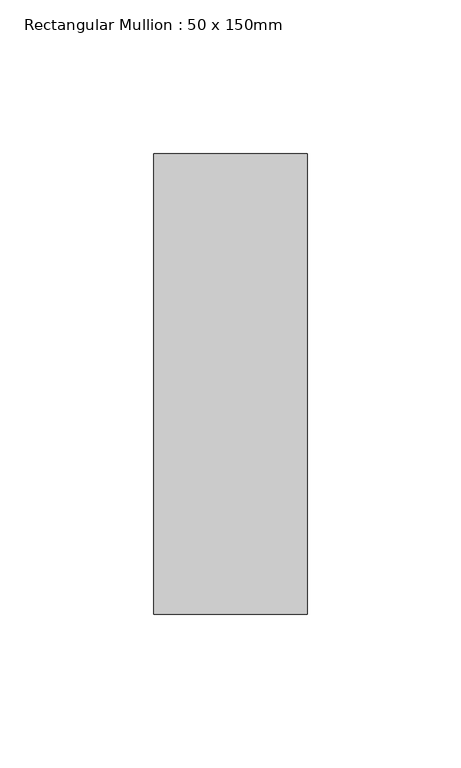
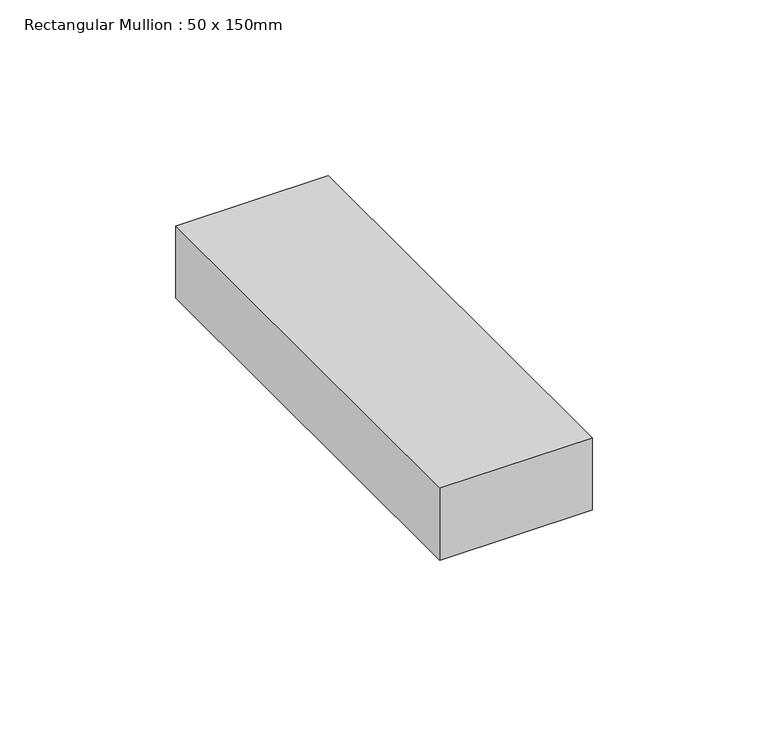
"""IFC4 building model written with IfcOpenShell, lengths in millimetres: member geometry, Rectangular Mullion : 50 x 150mm."""

from ifc_helpers import new_model, si_unit, frame, origin, place, context, project, spatial, polyline, outline, extrude, source, transform, mapped, element, save


def rectangular_mullion_50_x_150mm_26e8865d(model_context):
    return source(origin(), model_context, "Body", "SweptSolid", [
        extrude(outline(polyline([(25.0, 75.0), (25.0, -75.0), (-25.0, -75.0), (-25.0, 75.0), (25.0, 75.0)])), frame((0.0, 0.0, -25.0), z_axis=(0.0, 0.0, 1.0), x_axis=(1.0, 0.0, 0.0)), (0.0, 0.0, 1.0), 25.0),
    ])


if __name__ == "__main__":
    model = new_model("IFC4")
    model_context = context("Model", 3, world=origin())
    ifc_project = project(units=[si_unit("LENGTHUNIT", "METRE", prefix="MILLI")], contexts=[model_context])
    site = spatial("IfcSite", under=ifc_project)
    building = spatial("IfcBuilding", under=site)
    placement = place(None, origin())
    rectangular_mullion_50_x_150mm_shape = rectangular_mullion_50_x_150mm_26e8865d(model_context)
    element("IfcMember", 1, ObjectType="Rectangular Mullion : 50 x 150mm", at=placement, inside=building, context=model_context, shape_type="MappedRepresentation", body=[
        mapped(rectangular_mullion_50_x_150mm_shape, transform((0.0, 0.0, 0.0), x_axis=(1.0, 0.0, 0.0), y_axis=(0.0, 1.0, 0.0), z_axis=(0.0, 0.0, 1.0))),
    ])
    save(model, "model.ifc")
